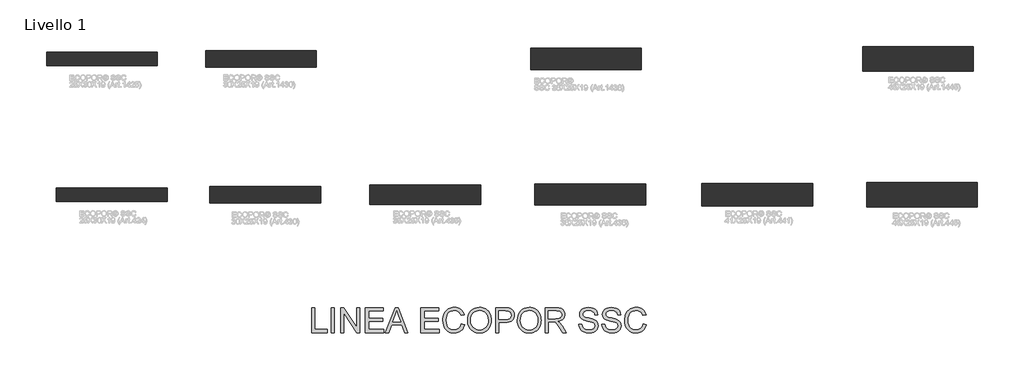
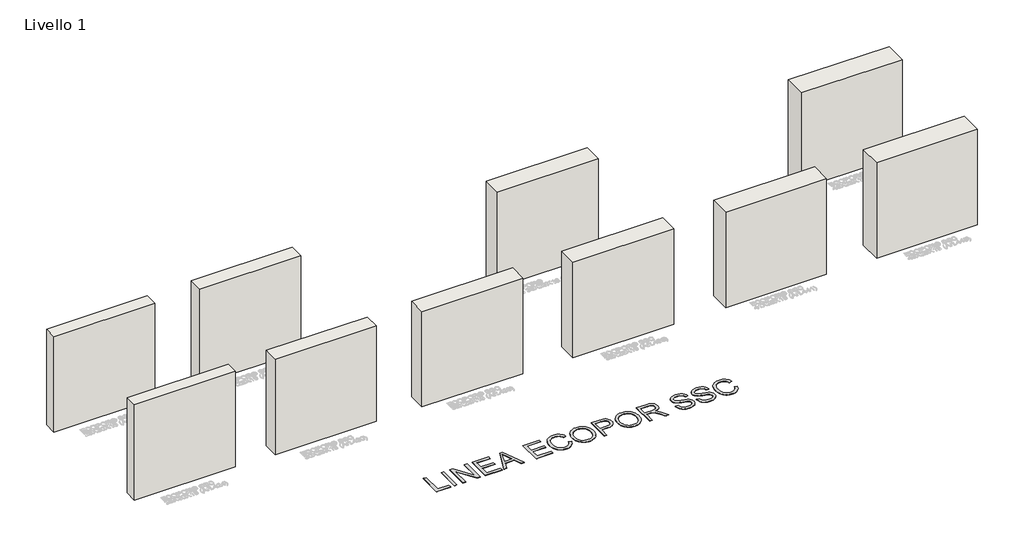
# One storey, part 1 of 10: 10 walls, 1 proxy.
"""IFC4 building model written with IfcOpenShell, lengths in millimetres."""

from ifc_helpers import new_model, si_unit, origin, origin_with_axes, place, context, project, spatial, polyline, outline, extrude, element, save

model = new_model("IFC4")

# Units and contexts
model_context = context("Model", 3, world=origin())
ifc_project = project(units=[si_unit("LENGTHUNIT", "METRE", prefix="MILLI")], contexts=[model_context])

# Site, building, storey
site = spatial("IfcSite", under=ifc_project)
building = spatial("IfcBuilding", under=site)
storey = spatial("IfcBuildingStorey", under=building, Name="Livello 1", Elevation=0.0)

# Proxy
placement = place(None, origin())
element("IfcBuildingElementProxy", 1, Name="450mm", ObjectType="450mm", at=placement, inside=storey, context=model_context, shape_type="SweptSolid", body=[
    extrude(outline(polyline([(-3133.2504422, -1960.675424), (-3133.2504422, -1511.0192812), (-3077.0434244, -1511.0192812), (-3077.0434244, -1904.4684062), (-2852.215353, -1904.4684062), (-2852.215353, -1960.675424), (-3133.2504422, -1960.675424)])), origin_with_axes(), (0.0, 0.0, 1.0), 5.0),
    extrude(outline(polyline([(-2781.9565807, -1960.675424), (-2781.9565807, -1511.0192812), (-2725.7495628, -1511.0192812), (-2725.7495628, -1960.675424), (-2781.9565807, -1960.675424)])), origin_with_axes(), (0.0, 0.0, 1.0), 5.0),
    extrude(outline(polyline([(-2613.3355271, -1960.675424), (-2613.3355271, -1511.0192812), (-2553.1764533, -1511.0192812), (-2318.2486834, -1867.2532127), (-2318.2486834, -1511.0192812), (-2262.0416655, -1511.0192812), (-2262.0416655, -1960.675424), (-2322.2007393, -1960.675424), (-2557.1285093, -1604.3317132), (-2557.1285093, -1960.675424), (-2613.3355271, -1960.675424)])), origin_with_axes(), (0.0, 0.0, 1.0), 5.0),
    extrude(outline(polyline([(-2163.6793843, -1960.675424), (-2163.6793843, -1511.0192812), (-1840.4890316, -1511.0192812), (-1840.4890316, -1567.2262991), (-2107.4723664, -1567.2262991), (-2107.4723664, -1700.7179665), (-1854.5407861, -1700.7179665), (-1854.5407861, -1756.9249843), (-2107.4723664, -1756.9249843), (-2107.4723664, -1904.4684062), (-1833.4631544, -1904.4684062), (-1833.4631544, -1960.675424), (-2163.6793843, -1960.675424)])), origin_with_axes(), (0.0, 0.0, 1.0), 5.0),
    extrude(outline(polyline([(-1801.5173689, -1960.675424), (-1622.0281615, -1511.0192812), (-1574.1643728, -1511.0192812), (-1394.6751654, -1960.675424), (-1454.0657839, -1960.675424), (-1505.5522905, -1820.1578794), (-1690.7500231, -1820.1578794), (-1742.1267504, -1960.675424), (-1801.5173689, -1960.675424)]), holes=[polyline([(-1670.1115088, -1763.9508616), (-1526.0810255, -1763.9508616), (-1566.5895989, -1653.4030745), (-1598.0962672, -1567.2262991), (-1626.0899968, -1643.7424933), (-1670.1115088, -1763.9508616)])]), origin_with_axes(), (0.0, 0.0, 1.0), 5.0),
    extrude(outline(polyline([(-1158.9789402, -1960.675424), (-1158.9789402, -1511.0192812), (-835.7885875, -1511.0192812), (-835.7885875, -1567.2262991), (-1102.7719223, -1567.2262991), (-1102.7719223, -1700.7179665), (-849.840342, -1700.7179665), (-849.840342, -1756.9249843), (-1102.7719223, -1756.9249843), (-1102.7719223, -1904.4684062), (-828.7627103, -1904.4684062), (-828.7627103, -1960.675424), (-1158.9789402, -1960.675424)])), origin_with_axes(), (0.0, 0.0, 1.0), 5.0),
    extrude(outline(polyline([(-428.2877081, -1800.836717), (-372.0806903, -1815.3275888), (-383.2027088, -1850.2820142), (-398.0160574, -1880.8246826), (-416.520736, -1906.9555942), (-438.7167446, -1928.6747488), (-464.1032151, -1945.7488655), (-492.1792792, -1957.9446632), (-522.9449369, -1965.2621418), (-556.4001883, -1967.7013013), (-590.675354, -1965.8556363), (-621.5953889, -1960.3186412), (-649.160293, -1951.0903161), (-673.3700662, -1938.170661), (-694.5574773, -1921.7517897), (-713.0552946, -1902.0258161), (-728.8635184, -1878.99274), (-741.9821486, -1852.6525616), (-759.6428986, -1794.60674), (-765.5298152, -1732.4441934), (-763.8659722, -1698.5429635), (-758.8744432, -1666.8784875), (-750.5552283, -1637.4507654), (-738.9083273, -1610.2597971), (-724.1944662, -1585.7549919), (-706.674371, -1564.3857589), (-686.3480416, -1546.152098), (-663.215478, -1531.0540093), (-638.0622887, -1519.2149945), (-611.6740818, -1510.7585553), (-584.0508574, -1505.6846918), (-555.1926156, -1503.993404), (-523.0444244, -1506.1821294), (-493.5652432, -1512.7483057), (-466.7550721, -1523.6919328), (-442.6139109, -1539.0130108), (-421.5397098, -1558.3067284), (-403.9304189, -1581.1682742), (-389.7860381, -1607.5976483), (-379.1065675, -1637.5948507), (-435.3135853, -1650.9879292), (-454.7994167, -1609.9990712), (-467.2182036, -1594.3315022), (-481.4209047, -1581.8818399), (-497.4898544, -1572.3962195), (-515.5073872, -1565.6207764), (-557.3882022, -1560.2004219), (-582.6031425, -1561.7030265), (-605.6636634, -1566.2108403), (-626.5697649, -1573.7238633), (-645.321447, -1584.2420955), (-661.681998, -1597.2921136), (-675.4147063, -1612.4004941), (-686.5195718, -1629.5672371), (-694.9965946, -1648.7923426), (-705.7412467, -1689.9321471), (-709.3227974, -1732.334414), (-705.0825707, -1784.2600379), (-692.3618906, -1829.1597846), (-682.7013094, -1848.5461285), (-670.6804726, -1865.318352), (-656.2993801, -1879.4764552), (-639.558032, -1891.0204381), (-602.2467817, -1906.3758221), (-561.9989342, -1911.4942834), (-537.562741, -1909.7515365), (-515.0819923, -1904.5232959), (-494.5566878, -1895.8095614), (-475.9868278, -1883.6103332), (-459.8115293, -1867.9805008), (-446.4699099, -1848.974954), (-435.9619695, -1826.5936927), (-428.2877081, -1800.836717)])), origin_with_axes(), (0.0, 0.0, 1.0), 5.0),
    extrude(outline(polyline([(-315.8736724, -1741.7754366), (-312.1274527, -1689.0333289), (-300.8887936, -1642.3428068), (-282.1576951, -1601.7038705), (-255.9341573, -1567.1165198), (-223.7893967, -1539.5001566), (-187.2946301, -1519.7741829), (-146.4498575, -1507.9385987), (-101.2550788, -1503.993404), (-71.0040117, -1505.8459302), (-42.2761329, -1511.4035089), (-15.0714422, -1520.66614), (10.6100602, -1533.6338236), (34.0479475, -1549.9154707), (54.5217929, -1569.1199926), (72.0315963, -1591.2473891), (86.5773578, -1616.2976604), (98.0081307, -1643.7013261), (106.1729685, -1672.8889059), (111.0718712, -1703.8603999), (112.7048387, -1736.615808), (110.9861061, -1769.8034722), (105.8299081, -1801.1934999), (97.2362448, -1830.785891), (85.2051161, -1858.5806455), (70.0212623, -1883.8436142), (51.9694234, -1905.8406478), (31.0495995, -1924.5717463), (7.2617906, -1940.0369097), (-18.4574485, -1952.140081), (-45.1715627, -1960.7852034), (-72.8805522, -1965.9722768), (-101.5844168, -1967.7013013), (-132.363797, -1965.7904548), (-161.4690423, -1960.0579153), (-188.9001528, -1950.5036828), (-214.6571285, -1937.1277574), (-238.067571, -1920.4481602), (-258.4590819, -1900.9829124), (-275.8316612, -1878.7320141), (-290.1853088, -1853.6954653), (-301.4239679, -1826.8784329), (-309.4515815, -1799.286084), (-314.2681497, -1770.9184185), (-315.8736724, -1741.7754366)]), holes=[polyline([(-259.6666546, -1742.3243332), (-256.8569898, -1779.5875551), (-248.4279955, -1812.66544), (-234.3796716, -1841.5579879), (-214.7120182, -1866.2651988), (-190.8041381, -1886.0529233), (-164.0351342, -1900.1870123), (-134.4050064, -1908.6674656), (-101.9137548, -1911.4942834), (-68.8667454, -1908.6400208), (-38.886696, -1900.0772329), (-11.9736067, -1885.8059198), (11.8725225, -1865.8260814), (31.3960905, -1840.5974187), (45.3414963, -1810.5796327), (53.7087397, -1775.7727234), (56.4978209, -1736.1766906), (51.7224199, -1686.4192085), (37.3962171, -1643.4131553), (13.8897177, -1608.2426019), (-18.426573, -1581.9916192), (-57.4119582, -1565.6482212), (-100.9257409, -1560.2004219), (-132.2883237, -1562.824834), (-161.3867078, -1570.6980705), (-188.2208932, -1583.8201312), (-212.7908799, -1602.1910162), (-233.2990313, -1626.6958215), (-247.9477109, -1658.2196427), (-256.7369186, -1696.7624799), (-259.6666546, -1742.3243332)])]), origin_with_axes(), (0.0, 0.0, 1.0), 5.0),
    extrude(outline(polyline([(189.9894883, -1960.675424), (189.9894883, -1511.0192812), (356.6345139, -1511.0192812), (423.8194649, -1515.3006752), (453.7755, -1523.300844), (478.4346824, -1536.3234172), (498.291019, -1554.9584588), (513.8385169, -1579.7960326), (523.8833258, -1609.0933917), (527.2315954, -1641.1077893), (524.9708273, -1668.7104301), (518.1885229, -1694.1037617), (506.8846824, -1717.2877844), (491.0593056, -1738.2624979), (469.3332897, -1755.6487996), (440.3275319, -1768.0675865), (404.0420321, -1775.5188586), (360.4767905, -1778.002616), (246.1965061, -1778.002616), (246.1965061, -1960.675424), (189.9894883, -1960.675424)]), holes=[polyline([(246.1965061, -1721.7955982), (363.7701704, -1721.7955982), (413.609987, -1716.6359696), (432.1901389, -1710.1864338), (446.5437865, -1701.1570838), (457.2541326, -1689.7880618), (464.9043798, -1676.31951), (469.4945281, -1660.7514285), (471.0245775, -1643.0838173), (467.415582, -1617.834571), (456.5885954, -1596.5373807), (439.8884146, -1580.5095982), (418.6598363, -1571.0685757), (362.4528184, -1567.2262991), (246.1965061, -1567.2262991), (246.1965061, -1721.7955982)])]), origin_with_axes(), (0.0, 0.0, 1.0), 5.0),
    extrude(outline(polyline([(583.4386132, -1741.7754366), (587.1848329, -1689.0333289), (598.423492, -1642.3428068), (617.1545905, -1601.7038705), (643.3781284, -1567.1165198), (675.5228889, -1539.5001566), (712.0176555, -1519.7741829), (752.8624282, -1507.9385987), (798.0572068, -1503.993404), (828.3082739, -1505.8459302), (857.0361528, -1511.4035089), (884.2408434, -1520.66614), (909.9223458, -1533.6338236), (933.3602332, -1549.9154707), (953.8340785, -1569.1199926), (971.3438819, -1591.2473891), (985.8896434, -1616.2976604), (997.3204163, -1643.7013261), (1005.4852541, -1672.8889059), (1010.3841568, -1703.8603999), (1012.0171244, -1736.615808), (1010.2983917, -1769.8034722), (1005.1421937, -1801.1934999), (996.5485304, -1830.785891), (984.5174018, -1858.5806455), (969.3335479, -1883.8436142), (951.2817091, -1905.8406478), (930.3618852, -1924.5717463), (906.5740762, -1940.0369097), (880.8548371, -1952.140081), (854.1407229, -1960.7852034), (826.4317334, -1965.9722768), (797.7278688, -1967.7013013), (766.9484887, -1965.7904548), (737.8432433, -1960.0579153), (710.4121328, -1950.5036828), (684.6551571, -1937.1277574), (661.2447146, -1920.4481602), (640.8532037, -1900.9829124), (623.4806245, -1878.7320141), (609.1269769, -1853.6954653), (597.8883178, -1826.8784329), (589.8607041, -1799.286084), (585.044136, -1770.9184185), (583.4386132, -1741.7754366)]), holes=[polyline([(639.6456311, -1742.3243332), (642.4552959, -1779.5875551), (650.8842902, -1812.66544), (664.932614, -1841.5579879), (684.6002674, -1866.2651988), (708.5081475, -1886.0529233), (735.2771514, -1900.1870123), (764.9072792, -1908.6674656), (797.3985308, -1911.4942834), (830.4455403, -1908.6400208), (860.4255896, -1900.0772329), (887.3386789, -1885.8059198), (911.1848081, -1865.8260814), (930.7083762, -1840.5974187), (944.6537819, -1810.5796327), (953.0210254, -1775.7727234), (955.8101065, -1736.1766906), (951.0347056, -1686.4192085), (936.7085028, -1643.4131553), (913.2020034, -1608.2426019), (880.8857126, -1581.9916192), (841.9003274, -1565.6482212), (798.3865448, -1560.2004219), (767.0239619, -1562.824834), (737.9255778, -1570.6980705), (711.0913924, -1583.8201312), (686.5214057, -1602.1910162), (666.0132543, -1626.6958215), (651.3645747, -1658.2196427), (642.575367, -1696.7624799), (639.6456311, -1742.3243332)])]), origin_with_axes(), (0.0, 0.0, 1.0), 5.0),
    extrude(outline(polyline([(1089.3017739, -1960.675424), (1089.3017739, -1511.0192812), (1283.0622944, -1511.0192812), (1335.1388649, -1514.0519353), (1373.0264568, -1523.1498974), (1400.7182932, -1539.9461351), (1422.2075974, -1566.0736161), (1435.998626, -1598.4722414), (1440.5956355, -1634.0819121), (1438.6916502, -1657.176739), (1432.9796943, -1678.3778725), (1423.4597679, -1697.6853124), (1410.1318709, -1715.0990589), (1392.8244731, -1730.0633541), (1371.3660444, -1742.0224401), (1345.7565847, -1750.9763168), (1315.9960939, -1756.9249843), (1347.9418795, -1780.966658), (1393.5003022, -1838.8203658), (1468.4795857, -1960.675424), (1403.1608834, -1960.675424), (1344.6484995, -1867.4727714), (1302.3834568, -1805.776787), (1286.67129, -1787.786699), (1272.6881476, -1776.6303744), (1245.9568803, -1765.9268895), (1213.3524188, -1763.9508616), (1145.5087918, -1763.9508616), (1145.5087918, -1960.675424), (1089.3017739, -1960.675424)]), holes=[polyline([(1145.5087918, -1707.7438437), (1271.3159059, -1707.7438437), (1307.4470285, -1705.7540933), (1335.4819253, -1699.7848422), (1356.5870019, -1689.4381401), (1371.9286635, -1674.3160372), (1381.2736291, -1656.024056), (1384.3886176, -1636.1677194), (1382.903166, -1621.7934882), (1378.4468113, -1608.7503313), (1360.6213923, -1586.6572408), (1347.0121858, -1578.1562038), (1329.9517915, -1572.0840345), (1285.4774397, -1567.2262991), (1145.5087918, -1567.2262991), (1145.5087918, -1707.7438437)])]), origin_with_axes(), (0.0, 0.0, 1.0), 5.0),
    extrude(outline(polyline([(1693.5272158, -1806.106125), (1749.7342337, -1806.106125), (1756.1837694, -1837.2971776), (1767.8478234, -1862.3680325), (1786.0437476, -1882.2655364), (1812.0888941, -1897.936536), (1843.9249003, -1908.1048466), (1879.4934038, -1911.4942834), (1910.8079582, -1908.9281915), (1938.2253463, -1901.2299159), (1960.4419385, -1889.0444101), (1976.1541054, -1873.0166277), (1985.499071, -1854.6148672), (1988.6140595, -1835.3074272), (1986.2812487, -1816.4939942), (1979.2828163, -1800.2329307), (1965.0663929, -1786.3595677), (1941.0796089, -1774.7092361), (1859.2391171, -1753.2473767), (1805.5158566, -1739.0446757), (1771.1412034, -1725.5280955), (1743.1611962, -1706.6186056), (1723.3323044, -1683.7021701), (1711.5173038, -1657.2727959), (1707.5789703, -1627.8244902), (1712.4504281, -1594.9044131), (1727.0648017, -1564.2073675), (1751.0378632, -1538.1896658), (1783.9853852, -1519.3076208), (1823.5333894, -1507.8219582), (1867.307898, -1503.993404), (1914.7325693, -1508.0003496), (1956.2291567, -1520.0211864), (1990.3156392, -1539.808911), (2015.5099958, -1567.1165198), (2031.4554437, -1600.2424331), (2037.7952002, -1637.4850714), (1981.5881823, -1637.4850714), (1977.8282402, -1619.5498731), (1971.2689251, -1603.9474856), (1961.9102371, -1590.6779088), (1949.7521761, -1579.7411429), (1934.5683223, -1571.1920774), (1916.1322558, -1565.0856021), (1869.5034846, -1560.2004219), (1821.7769201, -1565.0307124), (1803.5329674, -1571.0685757), (1789.0352344, -1579.5215842), (1770.0982997, -1600.8462194), (1765.364066, -1613.0111416), (1763.7859881, -1626.1778002), (1768.2594959, -1647.7768838), (1781.6800192, -1665.149463), (1813.4062461, -1680.6832384), (1873.4555405, -1696.5463519), (1935.4259733, -1711.6135652), (1972.9156151, -1724.7596401), (2004.9574575, -1745.151151), (2027.311274, -1770.3180628), (2040.4436265, -1799.9859272), (2044.8210774, -1833.8802959), (2039.7849505, -1868.5293975), (2024.67657, -1901.1201366), (2000.1134445, -1929.1687558), (1966.7130829, -1950.1914979), (1926.5475699, -1963.3238504), (1881.6889904, -1967.7013013), (1826.6209331, -1962.98079), (1781.2957915, -1948.8192562), (1762.1564512, -1938.1843835), (1745.1921138, -1925.1618102), (1730.4027795, -1909.7515365), (1717.7884481, -1891.9535624), (1700.1963102, -1851.4998786), (1693.5272158, -1806.106125)])), origin_with_axes(), (0.0, 0.0, 1.0), 5.0),
    extrude(outline(polyline([(2108.0539725, -1806.106125), (2164.2609903, -1806.106125), (2170.7105261, -1837.2971776), (2182.3745801, -1862.3680325), (2200.5705043, -1882.2655364), (2226.6156508, -1897.936536), (2258.451657, -1908.1048466), (2294.0201604, -1911.4942834), (2325.3347148, -1908.9281915), (2352.7521029, -1901.2299159), (2374.9686952, -1889.0444101), (2390.680862, -1873.0166277), (2400.0258277, -1854.6148672), (2403.1408162, -1835.3074272), (2400.8080054, -1816.4939942), (2393.809573, -1800.2329307), (2379.5931495, -1786.3595677), (2355.6063655, -1774.7092361), (2273.7658737, -1753.2473767), (2220.0426133, -1739.0446757), (2185.66796, -1725.5280955), (2157.6879528, -1706.6186056), (2137.859061, -1683.7021701), (2126.0440605, -1657.2727959), (2122.1057269, -1627.8244902), (2126.9771848, -1594.9044131), (2141.5915583, -1564.2073675), (2165.5646199, -1538.1896658), (2198.5121418, -1519.3076208), (2238.0601461, -1507.8219582), (2281.8346546, -1503.993404), (2329.2593259, -1508.0003496), (2370.7559133, -1520.0211864), (2404.8423958, -1539.808911), (2430.0367525, -1567.1165198), (2445.9822004, -1600.2424331), (2452.3219568, -1637.4850714), (2396.114939, -1637.4850714), (2392.3549969, -1619.5498731), (2385.7956818, -1603.9474856), (2376.4369937, -1590.6779088), (2364.2789328, -1579.7411429), (2349.0950789, -1571.1920774), (2330.6590124, -1565.0856021), (2284.0302413, -1560.2004219), (2236.3036768, -1565.0307124), (2218.0597241, -1571.0685757), (2203.5619911, -1579.5215842), (2184.6250564, -1600.8462194), (2179.8908227, -1613.0111416), (2178.3127448, -1626.1778002), (2182.7862526, -1647.7768838), (2196.2067759, -1665.149463), (2227.9330027, -1680.6832384), (2287.9822972, -1696.5463519), (2349.95273, -1711.6135652), (2387.4423718, -1724.7596401), (2419.4842142, -1745.151151), (2441.8380306, -1770.3180628), (2454.9703832, -1799.9859272), (2459.347834, -1833.8802959), (2454.3117072, -1868.5293975), (2439.2033267, -1901.1201366), (2414.6402012, -1929.1687558), (2381.2398395, -1950.1914979), (2341.0743265, -1963.3238504), (2296.2157471, -1967.7013013), (2241.1476898, -1962.98079), (2195.8225482, -1948.8192562), (2176.6832078, -1938.1843835), (2159.7188705, -1925.1618102), (2144.9295361, -1909.7515365), (2132.3152048, -1891.9535624), (2114.7230669, -1851.4998786), (2108.0539725, -1806.106125)])), origin_with_axes(), (0.0, 0.0, 1.0), 5.0),
    extrude(outline(polyline([(2859.8228362, -1800.836717), (2916.0298541, -1815.3275888), (2904.9078355, -1850.2820142), (2890.094487, -1880.8246826), (2871.5898084, -1906.9555942), (2849.3937997, -1928.6747488), (2824.0073293, -1945.7488655), (2795.9312652, -1957.9446632), (2765.1656074, -1965.2621418), (2731.7103561, -1967.7013013), (2697.4351904, -1965.8556363), (2666.5151555, -1960.3186412), (2638.9502514, -1951.0903161), (2614.7404781, -1938.170661), (2593.5530671, -1921.7517897), (2575.0552497, -1902.0258161), (2559.2470259, -1878.99274), (2546.1283958, -1852.6525616), (2528.4676458, -1794.60674), (2522.5807291, -1732.4441934), (2524.2445721, -1698.5429635), (2529.2361011, -1666.8784875), (2537.5553161, -1637.4507654), (2549.2022171, -1610.2597971), (2563.9160781, -1585.7549919), (2581.4361734, -1564.3857589), (2601.7625028, -1546.152098), (2624.8950663, -1531.0540093), (2650.0482557, -1519.2149945), (2676.4364626, -1510.7585553), (2704.0596869, -1505.6846918), (2732.9179287, -1503.993404), (2765.0661199, -1506.1821294), (2794.5453011, -1512.7483057), (2821.3554723, -1523.6919328), (2845.4966335, -1539.0130108), (2866.5708345, -1558.3067284), (2884.1801255, -1581.1682742), (2898.3245062, -1607.5976483), (2909.0039769, -1637.5948507), (2852.796959, -1650.9879292), (2833.3111276, -1609.9990712), (2820.8923407, -1594.3315022), (2806.6896397, -1581.8818399), (2790.62069, -1572.3962195), (2772.6031572, -1565.6207764), (2730.7223421, -1560.2004219), (2705.5074019, -1561.7030265), (2682.446881, -1566.2108403), (2661.5407795, -1573.7238633), (2642.7890974, -1584.2420955), (2626.4285464, -1597.2921136), (2612.6958381, -1612.4004941), (2601.5909725, -1629.5672371), (2593.1139498, -1648.7923426), (2582.3692977, -1689.9321471), (2578.787747, -1732.334414), (2583.0279737, -1784.2600379), (2595.7486537, -1829.1597846), (2605.4092349, -1848.5461285), (2617.4300718, -1865.318352), (2631.8111642, -1879.4764552), (2648.5525123, -1891.0204381), (2685.8637627, -1906.3758221), (2726.1116102, -1911.4942834), (2750.5478033, -1909.7515365), (2773.0285521, -1904.5232959), (2793.5538565, -1895.8095614), (2812.1237166, -1883.6103332), (2828.299015, -1867.9805008), (2841.6406344, -1848.974954), (2852.1485748, -1826.5936927), (2859.8228362, -1800.836717)])), origin_with_axes(), (0.0, 0.0, 1.0), 5.0),
])

# Walls
element("IfcWall", 2, at=placement, inside=storey, context=model_context, shape_type="SweptSolid", body=[
    extrude(outline(polyline([(-80.6771729, 360.7323798), (-2080.6771729, 360.7323798), (-2080.6771729, 710.7323798), (-80.6771729, 710.7323798), (-80.6771729, 360.7323798)])), origin_with_axes(), (0.0, 0.0, 1.0), 2000.0),
])
element("IfcWall", 3, at=placement, inside=storey, context=model_context, shape_type="SweptSolid", body=[
    extrude(outline(polyline([(-2974.3706828, 385.7323798), (-4974.3706828, 385.7323798), (-4974.3706828, 685.7323798), (-2974.3706828, 685.7323798), (-2974.3706828, 385.7323798)])), origin_with_axes(), (0.0, 0.0, 1.0), 2000.0),
])
element("IfcWall", 4, at=placement, inside=storey, context=model_context, shape_type="SweptSolid", body=[
    extrude(outline(polyline([(-5748.220662, 410.7323798), (-7748.220662, 410.7323798), (-7748.220662, 660.7323798), (-5748.220662, 660.7323798), (-5748.220662, 410.7323798)])), origin_with_axes(), (0.0, 0.0, 1.0), 2000.0),
])
element("IfcWall", 5, at=placement, inside=storey, context=model_context, shape_type="SweptSolid", body=[
    extrude(outline(polyline([(2900.0542361, 345.7323798), (900.0542361, 345.7323798), (900.0542361, 725.7323798), (2900.0542361, 725.7323798), (2900.0542361, 345.7323798)])), origin_with_axes(), (0.0, 0.0, 1.0), 2000.0),
])
element("IfcWall", 6, at=placement, inside=storey, context=model_context, shape_type="SweptSolid", body=[
    extrude(outline(polyline([(5919.3228271, 330.7323798), (3919.3228271, 330.7323798), (3919.3228271, 740.7323798), (5919.3228271, 740.7323798), (5919.3228271, 330.7323798)])), origin_with_axes(), (0.0, 0.0, 1.0), 2000.0),
])
element("IfcWall", 7, at=placement, inside=storey, context=model_context, shape_type="SweptSolid", body=[
    extrude(outline(polyline([(8900.0542361, 310.7323798), (6900.0542361, 310.7323798), (6900.0542361, 760.7323798), (8900.0542361, 760.7323798), (8900.0542361, 310.7323798)])), origin_with_axes(), (0.0, 0.0, 1.0), 2000.0),
])
element("IfcWall", 8, at=placement, inside=storey, context=model_context, shape_type="SweptSolid", body=[
    extrude(outline(polyline([(-5927.5283893, 2868.6956802), (-7927.5283893, 2868.6956802), (-7927.5283893, 3118.6956802), (-5927.5283893, 3118.6956802), (-5927.5283893, 2868.6956802)])), origin_with_axes(), (0.0, 0.0, 1.0), 2000.0),
])
element("IfcWall", 9, at=placement, inside=storey, context=model_context, shape_type="SweptSolid", body=[
    extrude(outline(polyline([(8826.1212334, 2768.6956802), (6826.1212334, 2768.6956802), (6826.1212334, 3218.6956802), (8826.1212334, 3218.6956802), (8826.1212334, 2768.6956802)])), origin_with_axes(), (0.0, 0.0, 1.0), 2000.0),
])
element("IfcWall", 10, at=placement, inside=storey, context=model_context, shape_type="SweptSolid", body=[
    extrude(outline(polyline([(-3048.3036855, 2843.6956802), (-5048.3036855, 2843.6956802), (-5048.3036855, 3143.6956802), (-3048.3036855, 3143.6956802), (-3048.3036855, 2843.6956802)])), origin_with_axes(), (0.0, 0.0, 1.0), 2000.0),
])
element("IfcWall", 11, at=placement, inside=storey, context=model_context, shape_type="SweptSolid", body=[
    extrude(outline(polyline([(2826.1212334, 2803.6956802), (826.1212334, 2803.6956802), (826.1212334, 3183.6956802), (2826.1212334, 3183.6956802), (2826.1212334, 2803.6956802)])), origin_with_axes(), (0.0, 0.0, 1.0), 2000.0),
])

save(model, "model.ifc")
